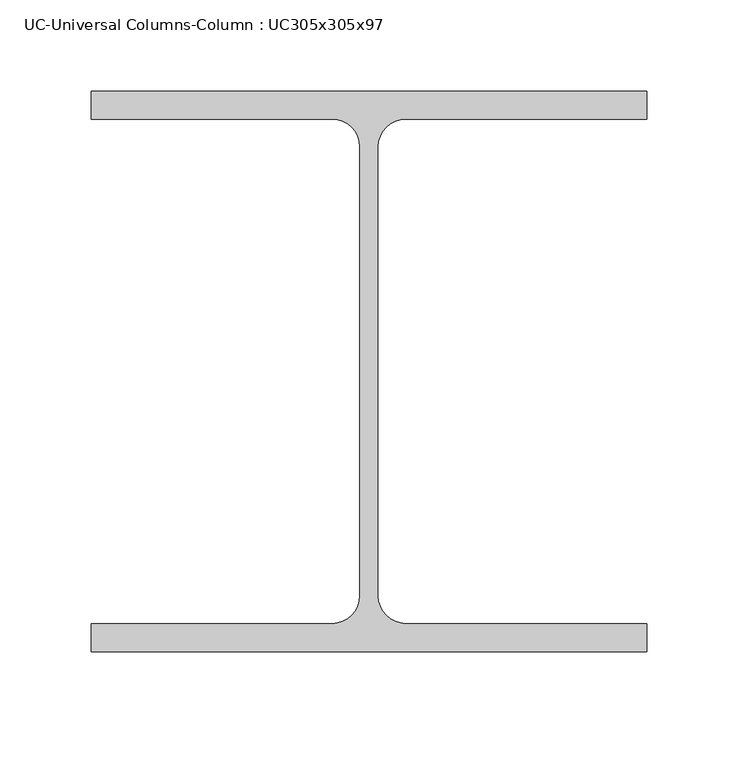
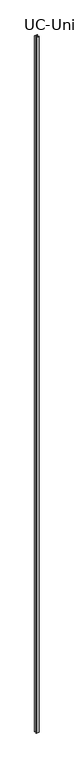
"""IFC4 building model written with IfcOpenShell, lengths in millimetres: column geometry, UC-Universal Columns-Column : UC305x305x97."""

from ifc_helpers import new_model, si_unit, point, frame_2d, origin, origin_with_axes, place, context, project, spatial, polyline, circle_curve, trimmed, segment, composite_curve, outline, extrude, source, transform, mapped, element, save


def uc_universal_columns_column_uc305x305x97_f5cd91cb(model_context):
    return source(origin(), model_context, "Body", "SweptSolid", [
        extrude(outline(composite_curve([segment(polyline([(152.65, -153.95), (-152.65, -153.95), (-152.65, -138.55), (-20.15, -138.55)]), True, "CONTINUOUS"), segment(trimmed(circle_curve(frame_2d((-20.15, -123.35)), 15.2), [point((-20.15, -138.55))], [point((-4.95, -123.35))], True, "CARTESIAN"), True, "CONTINUOUS"), segment(polyline([(-4.95, -123.35), (-4.95, 123.35)]), True, "CONTINUOUS"), segment(trimmed(circle_curve(frame_2d((-20.15, 123.35)), 15.2), [point((-4.95, 123.35))], [point((-20.15, 138.55))], True, "CARTESIAN"), True, "CONTINUOUS"), segment(polyline([(-20.15, 138.55), (-152.65, 138.55), (-152.65, 153.95), (152.65, 153.95), (152.65, 138.55), (20.15, 138.55)]), True, "CONTINUOUS"), segment(trimmed(circle_curve(frame_2d((20.15, 123.35)), 15.2), [point((20.15, 138.55))], [point((4.95, 123.35))], True, "CARTESIAN"), True, "CONTINUOUS"), segment(polyline([(4.95, 123.35), (4.95, -123.35)]), True, "CONTINUOUS"), segment(trimmed(circle_curve(frame_2d((20.15, -123.35)), 15.2), [point((4.95, -123.35))], [point((20.15, -138.55))], True, "CARTESIAN"), True, "CONTINUOUS"), segment(polyline([(20.15, -138.55), (152.65, -138.55), (152.65, -153.95)]), True, "CONTINUOUS")], self_intersect=False)), origin_with_axes(), (0.0, 0.0, 1.0), 80000.0),
    ])


if __name__ == "__main__":
    model = new_model("IFC4")
    model_context = context("Model", 3, world=origin())
    ifc_project = project(units=[si_unit("LENGTHUNIT", "METRE", prefix="MILLI")], contexts=[model_context])
    site = spatial("IfcSite", under=ifc_project)
    building = spatial("IfcBuilding", under=site)
    placement = place(None, origin())
    uc_universal_columns_column_uc305x305x97_shape = uc_universal_columns_column_uc305x305x97_f5cd91cb(model_context)
    element("IfcColumn", 1, ObjectType="UC-Universal Columns-Column : UC305x305x97", at=placement, inside=building, context=model_context, shape_type="MappedRepresentation", body=[
        mapped(uc_universal_columns_column_uc305x305x97_shape, transform((0.0, 0.0, 0.0), x_axis=(1.0, 0.0, 0.0), y_axis=(0.0, 1.0, 0.0), z_axis=(0.0, 0.0, 1.0))),
    ])
    save(model, "model.ifc")
